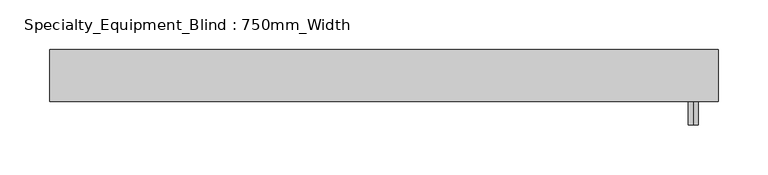
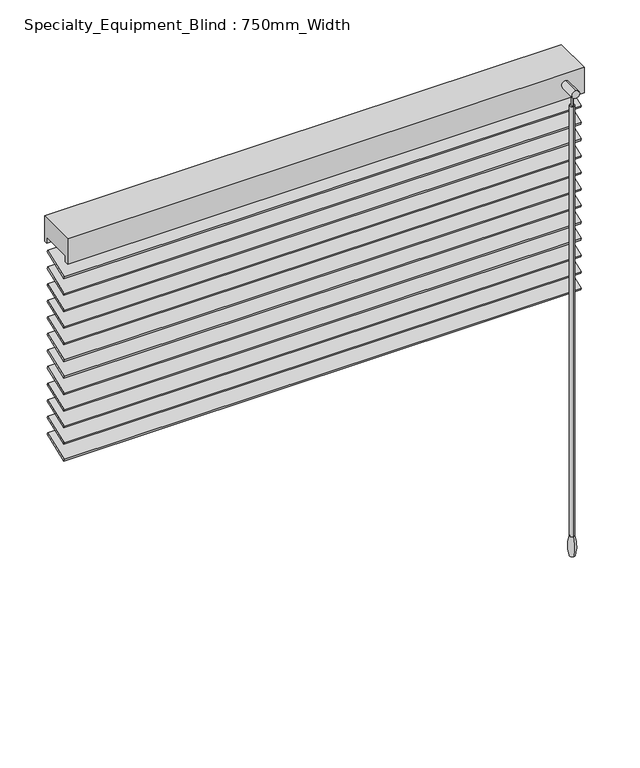
"""IFC4 building model written with IfcOpenShell, lengths in millimetres: proxy geometry, Specialty_Equipment_Blind : 750mm_Width."""

from ifc_helpers import new_model, si_unit, point, frame, frame_2d, origin, place, context, project, spatial, polyline, circle_curve, ellipse_curve, trimmed, segment, composite_curve, outline, extrude, source, transform, mapped, element, save
from ifc_brep_helpers import plane_surface, cylinder_surface, revolved_surface, advanced_brep


def specialty_equipment_blind_750mm_width_4866bba4(model_context):
    return source(origin(), model_context, "Body", "SolidModel", [
        extrude(outline(polyline([(0.0, -40.0), (0.0, 0.0), (670.0, 0.0), (670.0, -40.0), (0.0, -40.0)])), frame((-184.5079376, 65.0532351, 2041.2352891), z_axis=(0.0, -0.3420201433256684, 0.9396926207859085), x_axis=(1.0, 0.0, 0.0)), (0.0, 0.0, 1.0), 3.0625345),
        extrude(outline(polyline([(0.0, -40.0), (0.0, 0.0), (670.0, 0.0), (670.0, -40.0), (0.0, -40.0)])), frame((-184.5079376, 65.0532351, 2018.5080164), z_axis=(0.0, -0.3420201433256684, 0.9396926207859085), x_axis=(1.0, 0.0, 0.0)), (0.0, 0.0, 1.0), 3.0625345),
        extrude(outline(polyline([(0.0, -40.0), (0.0, 0.0), (670.0, 0.0), (670.0, -40.0), (0.0, -40.0)])), frame((-184.5079376, 65.0532351, 1995.7807436), z_axis=(0.0, -0.3420201433256684, 0.9396926207859085), x_axis=(1.0, 0.0, 0.0)), (0.0, 0.0, 1.0), 3.0625345),
        extrude(outline(polyline([(0.0, -40.0), (0.0, 0.0), (670.0, 0.0), (670.0, -40.0), (0.0, -40.0)])), frame((-184.5079376, 65.0532351, 1973.0534709), z_axis=(0.0, -0.3420201433256684, 0.9396926207859085), x_axis=(1.0, 0.0, 0.0)), (0.0, 0.0, 1.0), 3.0625345),
        extrude(outline(polyline([(0.0, -40.0), (0.0, 0.0), (670.0, 0.0), (670.0, -40.0), (0.0, -40.0)])), frame((-184.5079376, 65.0532351, 1950.3261982), z_axis=(0.0, -0.3420201433256684, 0.9396926207859085), x_axis=(1.0, 0.0, 0.0)), (0.0, 0.0, 1.0), 3.0625345),
        extrude(outline(polyline([(0.0, -40.0), (0.0, 0.0), (670.0, 0.0), (670.0, -40.0), (0.0, -40.0)])), frame((-184.5079376, 65.0532351, 1927.5989254), z_axis=(0.0, -0.3420201433256684, 0.9396926207859085), x_axis=(1.0, 0.0, 0.0)), (0.0, 0.0, 1.0), 3.0625345),
        extrude(outline(polyline([(0.0, -40.0), (0.0, 0.0), (670.0, 0.0), (670.0, -40.0), (0.0, -40.0)])), frame((-184.5079376, 65.0532351, 1904.8716527), z_axis=(0.0, -0.3420201433256684, 0.9396926207859085), x_axis=(1.0, 0.0, 0.0)), (0.0, 0.0, 1.0), 3.0625345),
        extrude(outline(polyline([(0.0, -40.0), (0.0, 0.0), (670.0, 0.0), (670.0, -40.0), (0.0, -40.0)])), frame((-184.5079376, 65.0532351, 1882.14438), z_axis=(0.0, -0.3420201433256684, 0.9396926207859085), x_axis=(1.0, 0.0, 0.0)), (0.0, 0.0, 1.0), 3.0625345),
        extrude(outline(polyline([(0.0, -40.0), (0.0, 0.0), (670.0, 0.0), (670.0, -40.0), (0.0, -40.0)])), frame((-184.5079376, 65.0532351, 1859.4171073), z_axis=(0.0, -0.3420201433256684, 0.9396926207859085), x_axis=(1.0, 0.0, 0.0)), (0.0, 0.0, 1.0), 3.0625345),
        extrude(outline(polyline([(0.0, -40.0), (0.0, 0.0), (670.0, 0.0), (670.0, -40.0), (0.0, -40.0)])), frame((-184.5079376, 65.0532351, 1836.6898345), z_axis=(0.0, -0.3420201433256684, 0.9396926207859085), x_axis=(1.0, 0.0, 0.0)), (0.0, 0.0, 1.0), 3.0625345),
        extrude(outline(polyline([(0.0, -40.0), (0.0, 0.0), (670.0, 0.0), (670.0, -40.0), (0.0, -40.0)])), frame((-184.5079376, 65.0532351, 2063.9625618), z_axis=(0.0, -0.3420201433256684, 0.9396926207859085), x_axis=(1.0, 0.0, 0.0)), (0.0, 0.0, 1.0), 3.0625345),
        extrude(outline(polyline([(0.0, -40.0), (0.0, 0.0), (670.0, 0.0), (670.0, -40.0), (0.0, -40.0)])), frame((-184.5079376, 65.0532351, 1813.9625618), z_axis=(0.0, -0.3420201433256684, 0.9396926207859085), x_axis=(1.0, 0.0, 0.0)), (0.0, 0.0, 1.0), 3.0625345),
        extrude(outline(polyline([(19.329714, 2110.0), (71.0941545, 2110.0), (71.0941545, 2075.0), (66.0941545, 2075.0), (66.0941545, 2083.2448883), (24.329714, 2083.2448883), (24.329714, 2075.0), (19.329714, 2075.0), (19.329714, 2110.0)])), frame((-184.5079376, 0.0, 0.0), z_axis=(1.0, 0.0, 0.0), x_axis=(0.0, 1.0, 0.0)), (0.0, 0.0, 1.0), 670.0),
        extrude(outline(composite_curve([segment(trimmed(circle_curve(frame_2d((2095.9171213, 460.4920624)), 5.0), [point((2100.9171213, 460.4920624))], [point((2090.9171213, 460.4920624))], False, "CARTESIAN"), True, "CONTINUOUS"), segment(trimmed(circle_curve(frame_2d((2095.9171213, 460.4920624)), 5.0), [point((2090.9171213, 460.4920624))], [point((2100.9171213, 460.4920624))], False, "CARTESIAN"), True, "CONTINUOUS")], self_intersect=False)), frame((0.0, -4.4512463, 0.0), z_axis=(0.0, 1.0, 0.0), x_axis=(0.0, 0.0, 1.0)), (0.0, 0.0, 1.0), 23.7809602),
        advanced_brep(
        [(460.4920624, 4.7248495, 2091.3243671), (460.4920624, 2.7248495, 2091.3243671), (460.4920624, 3.7248495, 2091.3243671), (460.4920624, 4.7248495, 2076.3243671), (460.4920624, 2.7248495, 2076.3243671), (460.4920624, 6.7248495, 2076.3243671), (460.4920624, 0.7248495, 2076.3243671), (460.4920624, 6.7248495, 1486.909931), (460.4920624, 0.7248495, 1486.909931), (460.4920624, 7.2513368, 1460.0), (460.4920624, 0.1983622, 1460.0), (460.4920624, 3.7248495, 1460.0)],
        [
            (0, 1, circle_curve(frame((460.4920624, 3.7248495, 2091.3243671), z_axis=(0.0, 0.0, 1.0), x_axis=(0.0, -1.0, 0.0)), 1.0)),
            (1, 2),
            (2, 0),
            (1, 0, circle_curve(frame((460.4920624, 3.7248495, 2091.3243671), z_axis=(0.0, 0.0, 1.0), x_axis=(0.0, -1.0, 0.0)), 1.0)),
            (3, 4, circle_curve(frame((460.4920624, 3.7248495, 2076.3243671), z_axis=(0.0, 0.0, 1.0), x_axis=(0.0, -1.0, 0.0)), 1.0)),
            (4, 1),
            (0, 3),
            (4, 3, circle_curve(frame((460.4920624, 3.7248495, 2076.3243671), z_axis=(0.0, 0.0, 1.0), x_axis=(0.0, -1.0, 0.0)), 1.0)),
            (5, 6, circle_curve(frame((460.4920624, 3.7248495, 2076.3243671), z_axis=(0.0, 0.0, 1.0), x_axis=(0.0, -1.0, 0.0)), 3.0)),
            (6, 4),
            (3, 5),
            (6, 5, circle_curve(frame((460.4920624, 3.7248495, 2076.3243671), z_axis=(0.0, 0.0, 1.0), x_axis=(0.0, -1.0, 0.0)), 3.0)),
            (7, 8, circle_curve(frame((460.4920624, 3.7248495, 1486.909931), z_axis=(0.0, 0.0, 1.0), x_axis=(0.0, -1.0, 0.0)), 3.0)),
            (8, 6),
            (5, 7),
            (8, 7, circle_curve(frame((460.4920624, 3.7248495, 1486.909931), z_axis=(0.0, 0.0, 1.0), x_axis=(0.0, -1.0, 0.0)), 3.0)),
            (9, 10, circle_curve(frame((460.4920624, 3.7248495, 1460.0), z_axis=(0.0, 0.0, 1.0), x_axis=(0.0, -1.0, 0.0)), 3.5264873)),
            (10, 8, circle_curve(frame((460.4920624, 49.2720063, 1472.5), z_axis=(-1.0, 0.0, 0.0), x_axis=(0.0, 1.0, 0.0)), 50.6406214)),
            (7, 9, circle_curve(frame((460.4920624, -41.8223072, 1472.5), z_axis=(-1.0, 0.0, 0.0), x_axis=(0.0, -1.0, 0.0)), 50.6406214)),
            (10, 9, circle_curve(frame((460.4920624, 3.7248495, 1460.0), z_axis=(0.0, 0.0, 1.0), x_axis=(0.0, -1.0, 0.0)), 3.5264873)),
            (11, 10),
            (9, 11),
        ],
        [
            plane_surface(frame((460.4920624, 3.7248495, 2091.3243671), z_axis=(0.0, 0.0, 1.0), x_axis=(0.0, -1.0, 0.0))),
            cylinder_surface(frame((460.4920624, 3.7248495, 1191.3243671), z_axis=(0.0, 0.0, -1.0), x_axis=(0.0, -1.0, 0.0)), 1.0),
            plane_surface(frame((460.4920624, 3.7248495, 2076.3243671), z_axis=(0.0, 0.0, 1.0), x_axis=(0.0, -1.0, 0.0))),
            cylinder_surface(frame((460.4920624, 3.7248495, 1191.3243671), z_axis=(0.0, 0.0, -1.0), x_axis=(0.0, -1.0, 0.0)), 3.0),
            revolved_surface(trimmed(ellipse_curve(frame((460.4920624, 49.2720063, 1472.5), z_axis=(1.0, 0.0, 0.0), x_axis=(0.0, 1.0, 0.0)), 50.6406214, 50.6406214), [point((460.4920624, 0.7248495, 1486.909931))], [point((460.4920624, 0.1983622, 1460.0))], True, "CARTESIAN"), (460.4920624, 3.7248495, 1191.3243671), (0.0, 0.0, -1.0)),
            plane_surface(frame((460.4920624, 3.7248495, 1460.0), z_axis=(0.0, 0.0, -1.0), x_axis=(0.0, -1.0, 0.0))),
        ],
        [
            (0, [[1, 2, 3]]),
            (0, [[4, -3, -2]]),
            (1, [[5, 6, -1, 7]]),
            (1, [[8, -7, -4, -6]]),
            (2, [[9, 10, -5, 11]]),
            (2, [[12, -11, -8, -10]]),
            (3, [[13, 14, -9, 15]]),
            (3, [[16, -15, -12, -14]]),
            (4, [[17, 18, -13, 19]]),
            (4, [[20, -19, -16, -18]]),
            (5, [[21, -17, 22]]),
            (5, [[-22, -20, -21]]),
        ],
    ),
        extrude(outline(composite_curve([segment(trimmed(circle_curve(frame_2d((-72.8412709, 45.2119342)), 0.5), [point((-73.3412709, 45.2119342))], [point((-72.3412709, 45.2119342))], False, "CARTESIAN"), True, "CONTINUOUS"), segment(trimmed(circle_curve(frame_2d((-72.8412709, 45.2119342)), 0.5), [point((-72.3412709, 45.2119342))], [point((-73.3412709, 45.2119342))], False, "CARTESIAN"), True, "CONTINUOUS")], self_intersect=False)), frame((0.0, 0.0, 1810.0), z_axis=(0.0, 0.0, 1.0), x_axis=(1.0, 0.0, 0.0)), (0.0, 0.0, 1.0), 273.2448883),
        extrude(outline(composite_curve([segment(trimmed(circle_curve(frame_2d((373.8253958, 45.2119342)), 0.5), [point((373.3253958, 45.2119342))], [point((374.3253958, 45.2119342))], False, "CARTESIAN"), True, "CONTINUOUS"), segment(trimmed(circle_curve(frame_2d((373.8253958, 45.2119342)), 0.5), [point((374.3253958, 45.2119342))], [point((373.3253958, 45.2119342))], False, "CARTESIAN"), True, "CONTINUOUS")], self_intersect=False)), frame((0.0, 0.0, 1810.0), z_axis=(0.0, 0.0, 1.0), x_axis=(1.0, 0.0, 0.0)), (0.0, 0.0, 1.0), 273.2448883),
    ])


if __name__ == "__main__":
    model = new_model("IFC4")
    model_context = context("Model", 3, world=origin())
    ifc_project = project(units=[si_unit("LENGTHUNIT", "METRE", prefix="MILLI")], contexts=[model_context])
    site = spatial("IfcSite", under=ifc_project)
    building = spatial("IfcBuilding", under=site)
    placement = place(None, origin())
    specialty_equipment_blind_750mm_width_shape = specialty_equipment_blind_750mm_width_4866bba4(model_context)
    element("IfcBuildingElementProxy", 1, Name="Specialty_Equipment_Blind : 750mm_Width", ObjectType="Specialty_Equipment_Blind : 750mm_Width", at=placement, inside=building, context=model_context, shape_type="MappedRepresentation", body=[
        mapped(specialty_equipment_blind_750mm_width_shape, transform((0.0, 0.0, 0.0), x_axis=(1.0, 0.0, 0.0), y_axis=(0.0, 1.0, 0.0), z_axis=(0.0, 0.0, 1.0))),
    ])
    save(model, "model.ifc")
